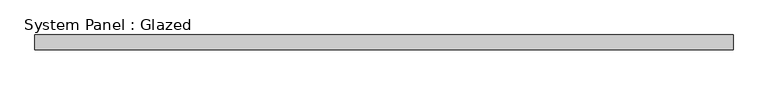
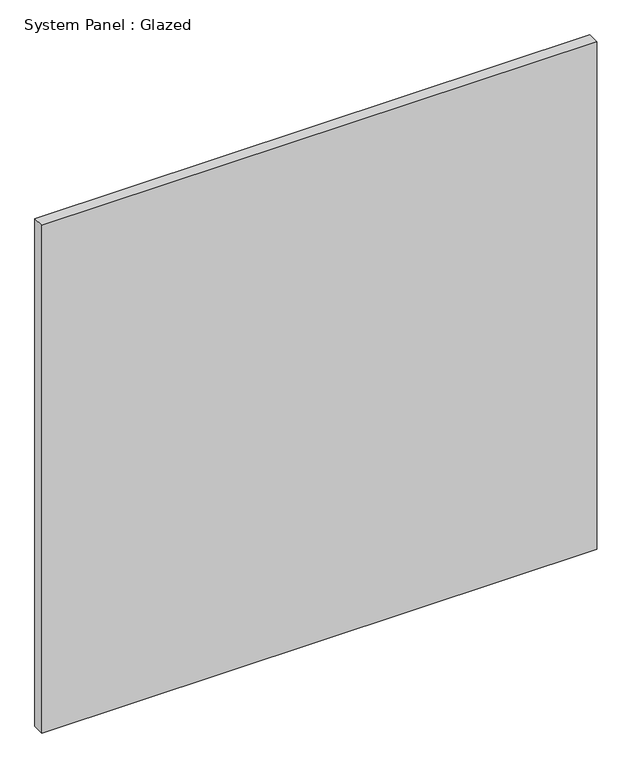
"""IFC4 building model written with IfcOpenShell, lengths in millimetres: plate geometry, System Panel : Glazed."""

from ifc_helpers import new_model, si_unit, origin, origin_with_axes, place, context, project, spatial, polyline, outline, extrude, source, transform, mapped, element, save


def system_panel_glazed_1da0d2a8(model_context):
    return source(origin(), model_context, "Body", "SweptSolid", [
        extrude(outline(polyline([(594.2541667, -12.7), (-594.2541667, -12.7), (-594.2541667, 12.7), (594.2541667, 12.7), (594.2541667, -12.7)])), origin_with_axes(), (0.0, 0.0, 1.0), 1149.35),
    ])


if __name__ == "__main__":
    model = new_model("IFC4")
    model_context = context("Model", 3, world=origin())
    ifc_project = project(units=[si_unit("LENGTHUNIT", "METRE", prefix="MILLI")], contexts=[model_context])
    site = spatial("IfcSite", under=ifc_project)
    building = spatial("IfcBuilding", under=site)
    placement = place(None, origin())
    system_panel_glazed_shape = system_panel_glazed_1da0d2a8(model_context)
    element("IfcPlate", 1, ObjectType="System Panel : Glazed", at=placement, inside=building, context=model_context, shape_type="MappedRepresentation", body=[
        mapped(system_panel_glazed_shape, transform((0.0, 0.0, 0.0), x_axis=(1.0, 0.0, 0.0), y_axis=(0.0, 1.0, 0.0), z_axis=(0.0, 0.0, 1.0))),
    ])
    save(model, "model.ifc")
